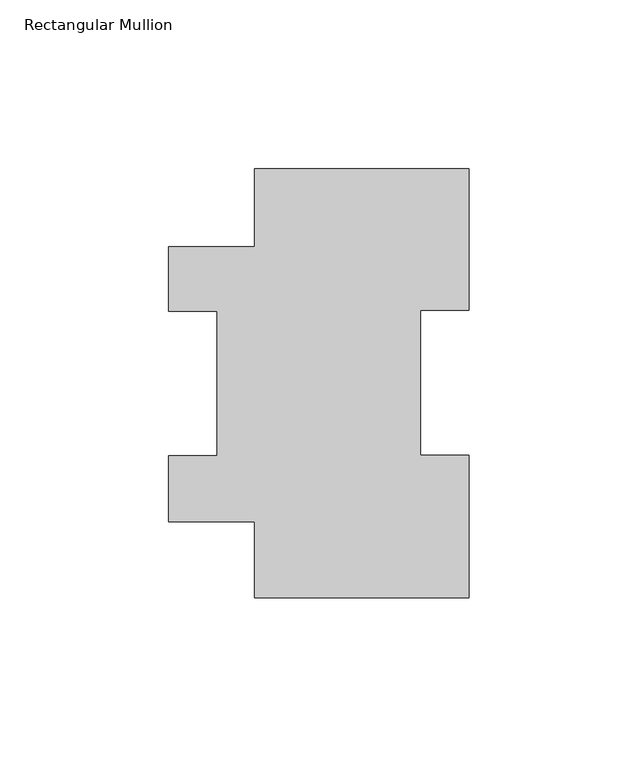
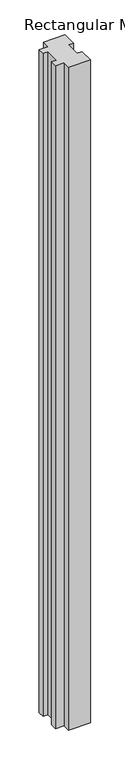
"""IFC4 building model written with IfcOpenShell, lengths in millimetres: member geometry, Rectangular Mullion."""

from ifc_helpers import new_model, si_unit, frame, origin, place, context, project, spatial, polyline, outline, extrude, source, transform, mapped, element, save


def rectangular_mullion_dfdaa568(model_context):
    return source(origin(), model_context, "Body", "SweptSolid", [
        extrude(outline(polyline([(-31.75, 126.9888875), (31.75, 126.9888875), (31.75, 85.1296875), (17.4625, 85.1296875), (17.4625, 42.2798875), (31.75, 42.2798875), (31.75, -0.0111125), (-31.75, -0.0111125), (-31.75, 22.5440875), (-57.15, 22.5440875), (-57.15, 42.0258875), (-42.86504, 42.0258875), (-42.86504, 84.8796055), (-57.15, 84.8796055), (-57.15, 103.9296055), (-31.75, 103.9296055), (-31.75, 126.9888875)])), frame((0.0, 0.0, -2044.4591858), z_axis=(0.0, 0.0, 1.0), x_axis=(1.0, 0.0, 0.0)), (0.0, 0.0, 1.0), 2044.4591858),
    ])


if __name__ == "__main__":
    model = new_model("IFC4")
    model_context = context("Model", 3, world=origin())
    ifc_project = project(units=[si_unit("LENGTHUNIT", "METRE", prefix="MILLI")], contexts=[model_context])
    site = spatial("IfcSite", under=ifc_project)
    building = spatial("IfcBuilding", under=site)
    placement = place(None, origin())
    rectangular_mullion_shape = rectangular_mullion_dfdaa568(model_context)
    element("IfcMember", 1, ObjectType="Rectangular Mullion", at=placement, inside=building, context=model_context, shape_type="MappedRepresentation", body=[
        mapped(rectangular_mullion_shape, transform((0.0, 0.0, 0.0), x_axis=(1.0, 0.0, 0.0), y_axis=(0.0, 1.0, 0.0), z_axis=(0.0, 0.0, 1.0))),
    ])
    save(model, "model.ifc")
